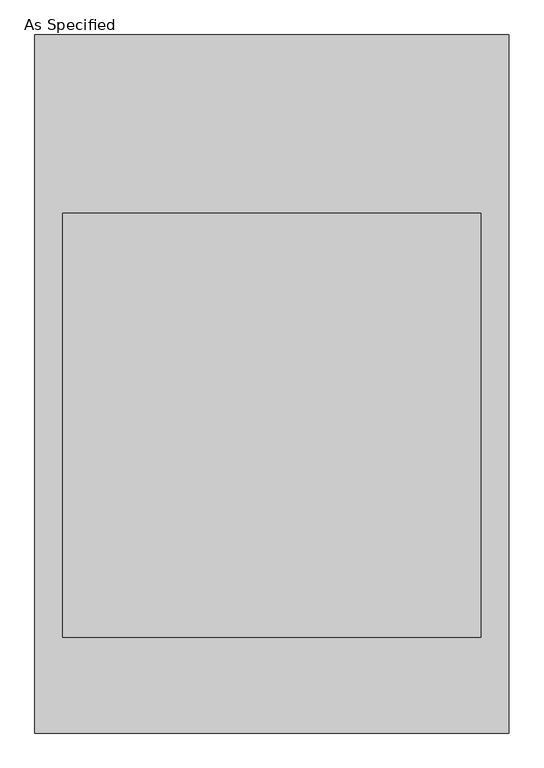
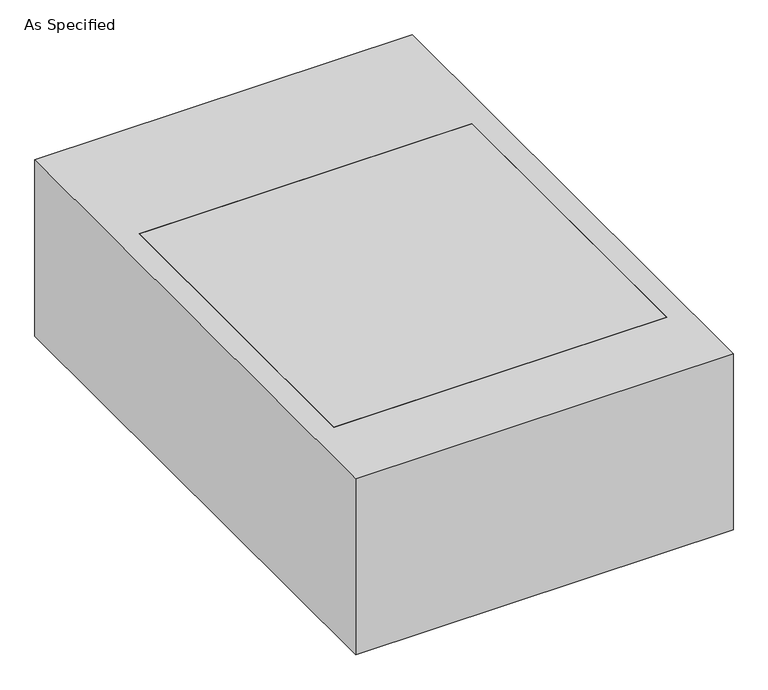
"""IFC4 building model written with IfcOpenShell, lengths in millimetres: proxy geometry, As Specified."""

from ifc_helpers import new_model, si_unit, frame, origin, place, context, project, spatial, polyline, outline, extrude, faceted_brep, source, transform, mapped, element, save


def as_specified_c61cd0ee(model_context):
    return source(origin(), model_context, "Body", "SolidModel", [
        faceted_brep([(450.85, -546.1, -25.4), (450.85, 368.3, -25.4), (450.85, 368.3, -373.0625), (450.85, -546.1, -373.0625), (-511.175, 752.475, -25.4), (-511.175, 752.475, -530.225), (-511.175, -752.475, -530.225), (-511.175, -752.475, -25.4), (-450.85, 368.3, -25.4), (-450.85, -546.1, -25.4), (-450.85, -546.1, -373.0625), (-450.85, 368.3, -373.0625), (511.175, 752.475, -25.4), (511.175, -752.475, -25.4), (511.175, -752.475, -530.225), (511.175, 752.475, -530.225)], [[[0, 1, 2, 3]], [[4, 5, 6, 7]], [[8, 9, 10, 11]], [[12, 4, 7, 13], [9, 8, 1, 0]], [[12, 13, 14, 15]], [[14, 13, 7, 6]], [[15, 14, 6, 5]], [[12, 15, 5, 4]], [[8, 11, 2, 1]], [[11, 10, 3, 2]], [[10, 9, 0, 3]]]),
        extrude(outline(polyline([(450.85, 368.3), (450.85, -546.1), (-450.85, -546.1), (-450.85, 368.3), (450.85, 368.3)])), frame((0.0, 0.0, -373.0625), z_axis=(0.0, 0.0, 1.0), x_axis=(1.0, 0.0, 0.0)), (0.0, 0.0, 1.0), 347.6625),
    ])


if __name__ == "__main__":
    model = new_model("IFC4")
    model_context = context("Model", 3, world=origin())
    ifc_project = project(units=[si_unit("LENGTHUNIT", "METRE", prefix="MILLI")], contexts=[model_context])
    site = spatial("IfcSite", under=ifc_project)
    building = spatial("IfcBuilding", under=site)
    placement = place(None, origin())
    as_specified_shape = as_specified_c61cd0ee(model_context)
    element("IfcBuildingElementProxy", 1, Name="As Specified", ObjectType="As Specified", at=placement, inside=building, context=model_context, shape_type="MappedRepresentation", body=[
        mapped(as_specified_shape, transform((0.0, 0.0, 0.0), x_axis=(1.0, 0.0, 0.0), y_axis=(0.0, 1.0, 0.0), z_axis=(0.0, 0.0, 1.0))),
    ])
    save(model, "model.ifc")
